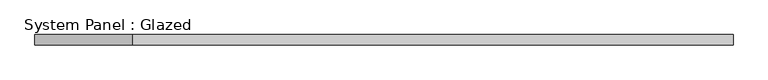
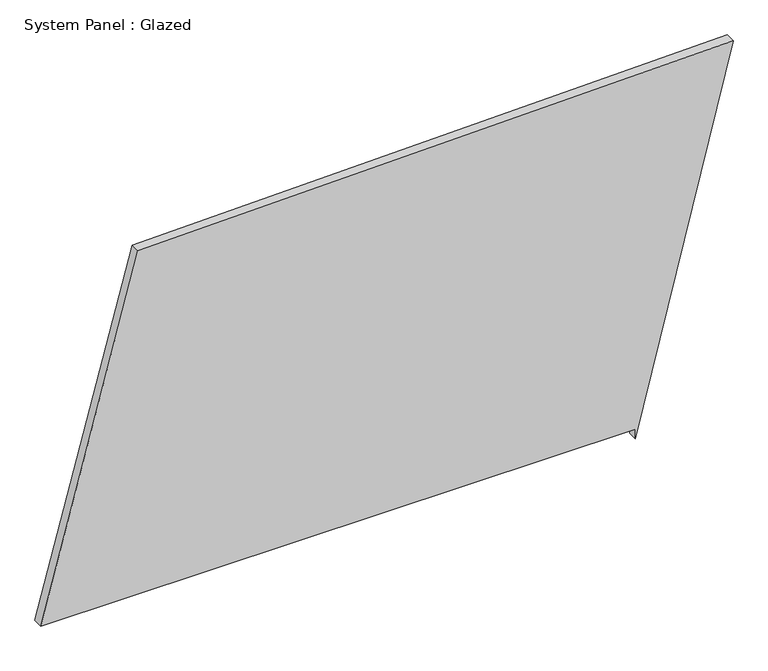
"""IFC4 building model written with IfcOpenShell, lengths in millimetres: plate geometry, System Panel : Glazed."""

from ifc_helpers import new_model, si_unit, frame, origin, place, context, project, spatial, polyline, outline, extrude, source, transform, mapped, element, save


def system_panel_glazed_579a8743(model_context):
    return source(origin(), model_context, "Body", "SweptSolid", [
        extrude(outline(polyline([(25.0, 613.3793553), (0.0, 613.3793553), (954.7352015, 854.467608), (920.6186659, -614.7118824), (25.0, -854.467608), (25.0, 613.3793553)])), frame((0.0, -49.5, 0.0), z_axis=(0.0, 1.0, 0.0), x_axis=(0.0, 0.0, 1.0)), (0.0, 0.0, 1.0), 25.0),
    ])


if __name__ == "__main__":
    model = new_model("IFC4")
    model_context = context("Model", 3, world=origin())
    ifc_project = project(units=[si_unit("LENGTHUNIT", "METRE", prefix="MILLI")], contexts=[model_context])
    site = spatial("IfcSite", under=ifc_project)
    building = spatial("IfcBuilding", under=site)
    placement = place(None, origin())
    system_panel_glazed_shape = system_panel_glazed_579a8743(model_context)
    element("IfcPlate", 1, ObjectType="System Panel : Glazed", at=placement, inside=building, context=model_context, shape_type="MappedRepresentation", body=[
        mapped(system_panel_glazed_shape, transform((0.0, 0.0, 0.0), x_axis=(1.0, 0.0, 0.0), y_axis=(0.0, 1.0, 0.0), z_axis=(0.0, 0.0, 1.0))),
    ])
    save(model, "model.ifc")
